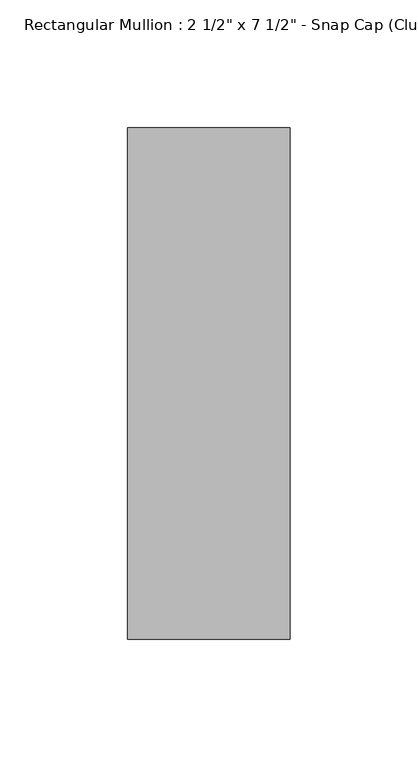
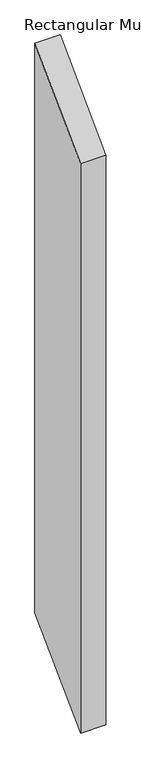
"""IFC4 building model written with IfcOpenShell, lengths in millimetres: member geometry."""

from ifc_helpers import new_model, si_unit, frame, origin, place, context, project, spatial, polyline, outline, extrude, source, transform, mapped, element, save


def member_3661cfd8(model_context):
    return source(origin(), model_context, "Body", "SweptSolid", [
        extrude(outline(polyline([(-174.2, -174.2), (25.8, 25.8), (25.8, -1493.9690717), (-174.2, -1693.9690717), (-174.2, -174.2)])), frame((-63.5, 0.0, 0.0), z_axis=(1.0, 0.0, 0.0), x_axis=(0.0, 1.0, 0.0)), (0.0, 0.0, 1.0), 63.5),
    ])


if __name__ == "__main__":
    model = new_model("IFC4")
    model_context = context("Model", 3, world=origin())
    ifc_project = project(units=[si_unit("LENGTHUNIT", "METRE", prefix="MILLI")], contexts=[model_context])
    site = spatial("IfcSite", under=ifc_project)
    building = spatial("IfcBuilding", under=site)
    placement = place(None, origin())
    member_shape = member_3661cfd8(model_context)
    element("IfcMember", 1, ObjectType="Rectangular Mullion : 2 1/2\" x 7 1/2\" - Snap Cap (Club)", at=placement, inside=building, context=model_context, shape_type="MappedRepresentation", body=[
        mapped(member_shape, transform((0.0, 0.0, 0.0), x_axis=(1.0, 0.0, 0.0), y_axis=(0.0, 1.0, 0.0), z_axis=(0.0, 0.0, 1.0))),
    ])
    save(model, "model.ifc")
